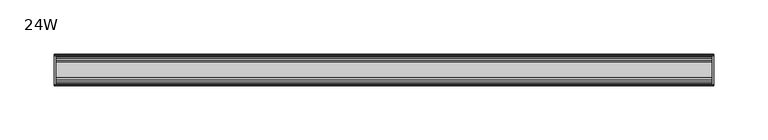
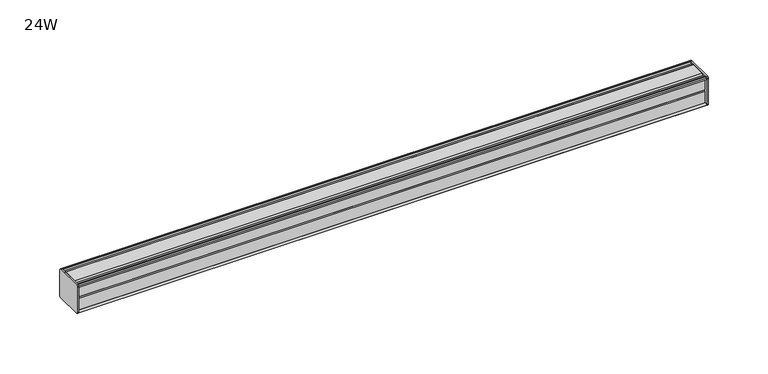
"""IFC4 building model written with IfcOpenShell, lengths in millimetres: furniture geometry, 24W."""

from ifc_helpers import new_model, si_unit, frame, origin, place, context, project, spatial, circle_curve, source, transform, mapped, element, save
from ifc_brep_helpers import plane_surface, cylinder_surface, advanced_brep


def furniture_24w_a49ceabb(model_context):
    return source(origin(), model_context, "Body", "AdvancedBrep", [
        advanced_brep(
        [(303.2125, 14.5851562, 1348.4191662), (303.2125, 14.5851562, 1322.2688277), (303.2125, 14.4138595, 1321.4629397), (303.2125, 13.8374434, 1320.8865237), (303.2125, 12.9019306, 1320.6358531), (303.2125, -13.4067434, 1320.6358531), (303.2125, -14.3040014, 1321.5331111), (303.2125, -14.5851563, 1322.3015198), (303.2125, -14.5851563, 1348.2198727), (303.2125, -14.3040014, 1348.9882814), (303.2125, -13.4464303, 1349.8458525), (303.2125, 13.0500437, 1349.8458525), (303.2125, 13.8374434, 1349.6348688), (303.2125, 14.4138595, 1349.0584528), (304.8, 14.6248431, 1348.2710531), (304.8, 14.4138595, 1349.0584528), (304.8, 13.8374434, 1349.6348688), (304.8, 13.0500437, 1349.8458525), (304.8, -13.4464303, 1349.8458525), (304.8, -14.3040014, 1348.9882814), (304.8, -14.5851563, 1348.2198727), (304.8, -14.5851563, 1322.3015198), (304.8, -14.3040014, 1321.5331111), (304.8, -13.4067434, 1320.6358531), (304.8, 12.9019306, 1320.6358531), (304.8, 13.8374434, 1320.8865237), (304.8, 14.4138595, 1321.4629397), (304.8, 14.5851562, 1322.2688277)],
        [
            (0, 1),
            (1, 2),
            (2, 3),
            (3, 4),
            (4, 5),
            (5, 6),
            (6, 7, circle_curve(frame((303.2125, -13.3945313, 1322.3015198), z_axis=(-1.0, 0.0, 0.0), x_axis=(0.0, 1.0, 0.0)), 1.190625)),
            (7, 8),
            (8, 9, circle_curve(frame((303.2125, -13.3945313, 1348.2198727), z_axis=(-1.0, 0.0, 0.0), x_axis=(0.0, 1.0, 0.0)), 1.190625)),
            (9, 10),
            (10, 11),
            (11, 12),
            (12, 13),
            (13, 0),
            (14, 15),
            (15, 16),
            (16, 17),
            (17, 18),
            (18, 19),
            (19, 20, circle_curve(frame((304.8, -13.3945313, 1348.2198727), z_axis=(1.0, 0.0, 0.0), x_axis=(0.0, 1.0, 0.0)), 1.190625)),
            (20, 21),
            (21, 22, circle_curve(frame((304.8, -13.3945313, 1322.3015198), z_axis=(1.0, 0.0, 0.0), x_axis=(0.0, 1.0, 0.0)), 1.190625)),
            (22, 23),
            (23, 24),
            (24, 25),
            (25, 26),
            (26, 27),
            (27, 14),
            (13, 15),
            (14, 0),
            (12, 16),
            (11, 17),
            (10, 18),
            (9, 19),
            (8, 20),
            (7, 21),
            (6, 22),
            (5, 23),
            (4, 24),
            (3, 25),
            (2, 26),
            (1, 27),
        ],
        [
            plane_surface(frame((303.2125, 14.5851562, 1322.2688277), z_axis=(-1.0, 0.0, 0.0), x_axis=(0.0, 0.0, -1.0))),
            plane_surface(frame((304.8, 14.5851562, 1322.2688277), z_axis=(1.0, 0.0, 0.0), x_axis=(0.0, 0.0, 1.0))),
            plane_surface(frame((303.2125, 14.4138595, 1349.0584528), z_axis=(0.0, 0.9659256560349851, 0.25881968049857335), x_axis=(1.0, 0.0, 0.0))),
            plane_surface(frame((303.2125, 13.8374434, 1349.6348688), z_axis=(0.0, 0.7071067811866345, 0.7071067811864606), x_axis=(1.0, 0.0, 0.0))),
            plane_surface(frame((303.2125, 13.0500437, 1349.8458525), z_axis=(0.0, 0.2588196804711877, 0.9659256560423232), x_axis=(1.0, 0.0, 0.0))),
            plane_surface(frame((303.2125, -13.4464303, 1349.8458525), z_axis=(0.0, 0.0, 1.0), x_axis=(1.0, 0.0, 0.0))),
            plane_surface(frame((303.2125, -14.3040014, 1348.9882814), z_axis=(0.0, -0.70710678117674, 0.7071067811963553), x_axis=(1.0, 0.0, 0.0))),
            cylinder_surface(frame((304.8, -13.3945313, 1348.2198727), z_axis=(-1.0, 0.0, 0.0), x_axis=(0.0, 1.0, 0.0)), 1.190625),
            plane_surface(frame((303.2125, -14.5851563, 1322.3015198), z_axis=(0.0, -1.0, 0.0), x_axis=(1.0, 0.0, 0.0))),
            cylinder_surface(frame((304.8, -13.3945313, 1322.3015198), z_axis=(-1.0, 0.0, 0.0), x_axis=(0.0, 1.0, 0.0)), 1.190625),
            plane_surface(frame((303.2125, -13.4067434, 1320.6358531), z_axis=(0.0, -0.7071067811916562, -0.7071067811814389), x_axis=(1.0, 0.0, 0.0))),
            plane_surface(frame((303.2125, 12.9019306, 1320.6358531), z_axis=(0.0, 0.0, -1.0), x_axis=(1.0, 0.0, 0.0))),
            plane_surface(frame((303.2125, 13.8374434, 1320.8865237), z_axis=(0.0, 0.2588196804985645, -0.9659256560349875), x_axis=(1.0, 0.0, 0.0))),
            plane_surface(frame((303.2125, 14.4138595, 1321.4629397), z_axis=(0.0, 0.7071067811865204, -0.7071067811865748), x_axis=(1.0, 0.0, 0.0))),
            plane_surface(frame((303.2125, 14.5851562, 1322.2688277), z_axis=(0.0, 0.9781476007310527, -0.207911690830711), x_axis=(1.0, 0.0, 0.0))),
            plane_surface(frame((303.2125, 14.5851562, 1348.4191662), z_axis=(0.0, 1.0, 0.0), x_axis=(1.0, 0.0, 0.0))),
        ],
        [
            (0, [[1, 2, 3, 4, 5, 6, 7, 8, 9, 10, 11, 12, 13, 14]]),
            (1, [[15, 16, 17, 18, 19, 20, 21, 22, 23, 24, 25, 26, 27, 28]]),
            (2, [[-14, 29, -15, 30]]),
            (3, [[-13, 31, -16, -29]]),
            (4, [[-12, 32, -17, -31]]),
            (5, [[-11, 33, -18, -32]]),
            (6, [[-10, 34, -19, -33]]),
            (7, [[-9, 35, -20, -34]]),
            (8, [[-8, 36, -21, -35]]),
            (9, [[-7, 37, -22, -36]]),
            (10, [[-6, 38, -23, -37]]),
            (11, [[-5, 39, -24, -38]]),
            (12, [[-4, 40, -25, -39]]),
            (13, [[-3, 41, -26, -40]]),
            (14, [[-2, 42, -27, -41]]),
            (15, [[-1, -30, -28, -42]]),
        ],
    ),
        advanced_brep(
        [(-303.2125, 14.6248431, 1348.2710531), (-303.2125, 14.4138595, 1349.0584528), (-303.2125, 13.8374434, 1349.6348688), (-303.2125, 13.0500437, 1349.8458525), (-303.2125, -13.4464303, 1349.8458525), (-303.2125, -14.3040014, 1348.9882814), (-303.2125, -14.5851563, 1348.2198727), (-303.2125, -14.5851563, 1322.3015198), (-303.2125, -14.3040014, 1321.5331111), (-303.2125, -13.4067434, 1320.6358531), (-303.2125, 12.9019306, 1320.6358531), (-303.2125, 13.8374434, 1320.8865237), (-303.2125, 14.4138595, 1321.4629397), (-303.2125, 14.5851562, 1322.2688277), (-304.8, 14.5851562, 1348.4191662), (-304.8, 14.5851562, 1322.2688277), (-304.8, 14.4138595, 1321.4629397), (-304.8, 13.8374434, 1320.8865237), (-304.8, 12.9019306, 1320.6358531), (-304.8, -13.4067434, 1320.6358531), (-304.8, -14.3040014, 1321.5331111), (-304.8, -14.5851563, 1322.3015198), (-304.8, -14.5851563, 1348.2198727), (-304.8, -14.3040014, 1348.9882814), (-304.8, -13.4464303, 1349.8458525), (-304.8, 13.0500437, 1349.8458525), (-304.8, 13.8374434, 1349.6348688), (-304.8, 14.4138595, 1349.0584528)],
        [
            (0, 1),
            (1, 2),
            (2, 3),
            (3, 4),
            (4, 5),
            (5, 6, circle_curve(frame((-303.2125, -13.3945313, 1348.2198727), z_axis=(1.0, 0.0, 0.0), x_axis=(0.0, 1.0, 0.0)), 1.190625)),
            (6, 7),
            (7, 8, circle_curve(frame((-303.2125, -13.3945313, 1322.3015198), z_axis=(1.0, 0.0, 0.0), x_axis=(0.0, 1.0, 0.0)), 1.190625)),
            (8, 9),
            (9, 10),
            (10, 11),
            (11, 12),
            (12, 13),
            (13, 0),
            (14, 15),
            (15, 16),
            (16, 17),
            (17, 18),
            (18, 19),
            (19, 20),
            (20, 21, circle_curve(frame((-304.8, -13.3945313, 1322.3015198), z_axis=(-1.0, 0.0, 0.0), x_axis=(0.0, 1.0, 0.0)), 1.190625)),
            (21, 22),
            (22, 23, circle_curve(frame((-304.8, -13.3945313, 1348.2198727), z_axis=(-1.0, 0.0, 0.0), x_axis=(0.0, 1.0, 0.0)), 1.190625)),
            (23, 24),
            (24, 25),
            (25, 26),
            (26, 27),
            (27, 14),
            (0, 14),
            (27, 1),
            (26, 2),
            (25, 3),
            (24, 4),
            (23, 5),
            (22, 6),
            (21, 7),
            (20, 8),
            (19, 9),
            (18, 10),
            (17, 11),
            (16, 12),
            (15, 13),
        ],
        [
            plane_surface(frame((-303.2125, 14.6248431, 1348.2710531), z_axis=(1.0, 0.0, 0.0), x_axis=(0.0, -0.2588196804390474, 0.965925656050935))),
            plane_surface(frame((-304.8, 14.6248431, 1348.2710531), z_axis=(-1.0, 0.0, 0.0), x_axis=(0.0, 0.2588196804390474, -0.965925656050935))),
            plane_surface(frame((-303.2125, 14.6248431, 1348.2710531), z_axis=(0.0, 0.965925656050935, 0.2588196804390474), x_axis=(-1.0, 0.0, 0.0))),
            plane_surface(frame((-303.2125, 14.4138595, 1349.0584528), z_axis=(0.0, 0.7071067810676273, 0.7071067813054679), x_axis=(-1.0, 0.0, 0.0))),
            plane_surface(frame((-303.2125, 13.8374434, 1349.6348688), z_axis=(0.0, 0.25881968048355775, 0.9659256560390086), x_axis=(-1.0, 0.0, 0.0))),
            plane_surface(frame((-303.2125, 13.0500437, 1349.8458525), z_axis=(0.0, 0.0, 1.0), x_axis=(-1.0, 0.0, 0.0))),
            plane_surface(frame((-303.2125, -13.4464303, 1349.8458525), z_axis=(0.0, -0.7071067811880228, 0.7071067811850722), x_axis=(-1.0, 0.0, 0.0))),
            cylinder_surface(frame((-304.8, -13.3945313, 1348.2198727), z_axis=(1.0, 0.0, 0.0), x_axis=(0.0, 1.0, 0.0)), 1.190625),
            plane_surface(frame((-303.2125, -14.5851563, 1348.2198727), z_axis=(0.0, -1.0, 0.0), x_axis=(-1.0, 0.0, 0.0))),
            cylinder_surface(frame((-304.8, -13.3945313, 1322.3015198), z_axis=(1.0, 0.0, 0.0), x_axis=(0.0, 1.0, 0.0)), 1.190625),
            plane_surface(frame((-303.2125, -14.3040014, 1321.5331111), z_axis=(0.0, -0.7071067811865341, -0.7071067811865609), x_axis=(-1.0, 0.0, 0.0))),
            plane_surface(frame((-303.2125, -13.4067434, 1320.6358531), z_axis=(0.0, 0.0, -1.0), x_axis=(-1.0, 0.0, 0.0))),
            plane_surface(frame((-303.2125, 12.9019306, 1320.6358531), z_axis=(0.0, 0.25881968049856513, -0.9659256560349874), x_axis=(-1.0, 0.0, 0.0))),
            plane_surface(frame((-303.2125, 13.8374434, 1320.8865237), z_axis=(0.0, 0.707106781186519, -0.7071067811865761), x_axis=(-1.0, 0.0, 0.0))),
            plane_surface(frame((-303.2125, 14.4138595, 1321.4629397), z_axis=(0.0, 0.9781476007314348, -0.20791169082891317), x_axis=(-1.0, 0.0, 0.0))),
            plane_surface(frame((-303.2125, 14.5851562, 1322.2688277), z_axis=(0.0, 1.0, 0.0), x_axis=(-1.0, 0.0, 0.0))),
        ],
        [
            (0, [[1, 2, 3, 4, 5, 6, 7, 8, 9, 10, 11, 12, 13, 14]]),
            (1, [[15, 16, 17, 18, 19, 20, 21, 22, 23, 24, 25, 26, 27, 28]]),
            (2, [[-1, 29, -28, 30]]),
            (3, [[-2, -30, -27, 31]]),
            (4, [[-3, -31, -26, 32]]),
            (5, [[-4, -32, -25, 33]]),
            (6, [[-5, -33, -24, 34]]),
            (7, [[-6, -34, -23, 35]]),
            (8, [[-7, -35, -22, 36]]),
            (9, [[-8, -36, -21, 37]]),
            (10, [[-9, -37, -20, 38]]),
            (11, [[-10, -38, -19, 39]]),
            (12, [[-11, -39, -18, 40]]),
            (13, [[-12, -40, -17, 41]]),
            (14, [[-13, -41, -16, 42]]),
            (15, [[-14, -42, -15, -29]]),
        ],
    ),
        advanced_brep(
        [(303.2125, -7.3748315, 1349.8458525), (303.2125, -8.9105708, 1348.8151196), (303.2125, -10.7601399, 1348.8151196), (303.2125, -12.2958792, 1349.8458525), (303.2125, -13.4464303, 1349.8458525), (303.2125, -14.3040014, 1348.9882814), (303.2125, -13.3945313, 1347.0292477), (303.2125, -13.3945313, 1347.940852), (303.2125, -12.2039063, 1347.940852), (303.2125, -12.2039063, 1336.0346032), (303.2125, -11.4101564, 1335.2408534), (303.2125, -12.2039063, 1334.4471036), (303.2125, -12.2039063, 1322.5408531), (303.2125, -13.3945313, 1322.5408531), (303.2125, -13.3945313, 1323.4921448), (303.2125, -14.3040014, 1321.5331111), (303.2125, -13.4067434, 1320.6358531), (303.2125, -12.2958792, 1320.6358531), (303.2125, -10.7601399, 1321.6665871), (303.2125, -8.9105708, 1321.6665871), (303.2125, -7.4339628, 1320.67554), (303.2125, 7.4145184, 1320.67554), (303.2125, 8.9502576, 1321.7062729), (303.2125, 10.7998291, 1321.7062729), (303.2125, 12.2275037, 1320.67554), (303.2125, 13.0500437, 1320.67554), (303.2125, 13.8374434, 1320.8865237), (303.2125, 14.4138595, 1321.4629397), (303.2125, 14.5851562, 1322.2688277), (303.2125, 14.5851562, 1348.4191662), (303.2125, 14.4138595, 1349.0584528), (303.2125, 13.8374434, 1349.6348688), (303.2125, 13.0500437, 1349.8458525), (303.2125, 12.2275037, 1349.8458525), (303.2125, 10.7998291, 1348.8151196), (303.2125, 8.9502576, 1348.8151196), (303.2125, 7.4145184, 1349.8458525), (-303.2125, -7.3748315, 1349.8458525), (-303.2125, 7.4145184, 1349.8458525), (-303.2125, 8.9502576, 1348.8151196), (-303.2125, 10.7998291, 1348.8151196), (-303.2125, 12.2275037, 1349.8458525), (-303.2125, 13.0500437, 1349.8458525), (-303.2125, 13.8374434, 1349.6348688), (-303.2125, 14.4138595, 1349.0584528), (-303.2125, 14.6248431, 1348.2710531), (-303.2125, 14.5851562, 1322.2688277), (-303.2125, 14.4138595, 1321.4629397), (-303.2125, 13.8374434, 1320.8865237), (-303.2125, 13.0500437, 1320.67554), (-303.2125, 12.2275037, 1320.67554), (-303.2125, 10.7998291, 1321.7062729), (-303.2125, 8.9502576, 1321.7062729), (-303.2125, 7.4145184, 1320.67554), (-303.2125, -7.4339628, 1320.67554), (-303.2125, -8.9105708, 1321.6665871), (-303.2125, -10.7601399, 1321.6665871), (-303.2125, -12.2958792, 1320.6358531), (-303.2125, -13.4067434, 1320.6358531), (-303.2125, -14.3040014, 1321.5331111), (-303.2125, -13.3945313, 1323.4921448), (-303.2125, -13.3945313, 1322.5408531), (-303.2125, -12.2039063, 1322.5408531), (-303.2125, -12.2039063, 1334.4471036), (-303.2125, -11.4101564, 1335.2408534), (-303.2125, -12.2039063, 1336.0346032), (-303.2125, -12.2039063, 1347.940852), (-303.2125, -13.3945313, 1347.940852), (-303.2125, -13.3945313, 1347.0292477), (-303.2125, -14.3040014, 1348.9882814), (-303.2125, -13.4464303, 1349.8458525), (-303.2125, -12.2958792, 1349.8458525), (-303.2125, -10.7601399, 1348.8151196), (-303.2125, -8.9105708, 1348.8151196)],
        [
            (0, 1),
            (1, 2),
            (2, 3),
            (3, 4),
            (4, 5),
            (5, 6, circle_curve(frame((303.2125, -13.3945313, 1348.2198727), z_axis=(1.0, 0.0, 0.0), x_axis=(0.0, 1.0, 0.0)), 1.190625)),
            (6, 7),
            (7, 8),
            (8, 9),
            (9, 10),
            (10, 11),
            (11, 12),
            (12, 13),
            (13, 14),
            (14, 15, circle_curve(frame((303.2125, -13.3945313, 1322.3015198), z_axis=(1.0, 0.0, 0.0), x_axis=(0.0, 1.0, 0.0)), 1.190625)),
            (15, 16),
            (16, 17),
            (17, 18),
            (18, 19),
            (19, 20),
            (20, 21),
            (21, 22),
            (22, 23),
            (23, 24),
            (24, 25),
            (25, 26),
            (26, 27),
            (27, 28),
            (28, 29),
            (29, 30),
            (30, 31),
            (31, 32),
            (32, 33),
            (33, 34),
            (34, 35),
            (35, 36),
            (36, 0),
            (37, 38),
            (38, 39),
            (39, 40),
            (40, 41),
            (41, 42),
            (42, 43),
            (43, 44),
            (44, 45),
            (45, 46),
            (46, 47),
            (47, 48),
            (48, 49),
            (49, 50),
            (50, 51),
            (51, 52),
            (52, 53),
            (53, 54),
            (54, 55),
            (55, 56),
            (56, 57),
            (57, 58),
            (58, 59),
            (59, 60, circle_curve(frame((-303.2125, -13.3945313, 1322.3015198), z_axis=(-1.0, 0.0, 0.0), x_axis=(0.0, 1.0, 0.0)), 1.190625)),
            (60, 61),
            (61, 62),
            (62, 63),
            (63, 64),
            (64, 65),
            (65, 66),
            (66, 67),
            (67, 68),
            (68, 69, circle_curve(frame((-303.2125, -13.3945313, 1348.2198727), z_axis=(-1.0, 0.0, 0.0), x_axis=(0.0, 1.0, 0.0)), 1.190625)),
            (69, 70),
            (70, 71),
            (71, 72),
            (72, 73),
            (73, 37),
            (0, 37),
            (73, 1),
            (72, 2),
            (71, 3),
            (70, 4),
            (69, 5),
            (68, 6),
            (67, 7),
            (66, 8),
            (65, 9),
            (64, 10),
            (63, 11),
            (62, 12),
            (61, 13),
            (60, 14),
            (59, 15),
            (58, 16),
            (57, 17),
            (56, 18),
            (55, 19),
            (54, 20),
            (53, 21),
            (52, 22),
            (51, 23),
            (50, 24),
            (49, 25),
            (48, 26),
            (47, 27),
            (46, 28),
            (45, 29),
            (44, 30),
            (43, 31),
            (42, 32),
            (41, 33),
            (40, 34),
            (39, 35),
            (38, 36),
        ],
        [
            plane_surface(frame((303.2125, -7.3748315, 1349.8458525), z_axis=(1.0, 0.0, 0.0), x_axis=(0.0, -0.8303227972604666, -0.5572827400427488))),
            plane_surface(frame((-303.2125, -7.3748315, 1349.8458525), z_axis=(-1.0, 0.0, 0.0), x_axis=(0.0, 0.8303227972604666, 0.5572827400427488))),
            plane_surface(frame((303.2125, -7.3748315, 1349.8458525), z_axis=(0.0, -0.5572827400427488, 0.8303227972604666), x_axis=(-1.0, 0.0, 0.0))),
            plane_surface(frame((303.2125, -8.9105708, 1348.8151196), z_axis=(0.0, 0.0, 1.0), x_axis=(-1.0, 0.0, 0.0))),
            plane_surface(frame((303.2125, -10.7601399, 1348.8151196), z_axis=(0.0, 0.5572827400427491, 0.8303227972604665), x_axis=(-1.0, 0.0, 0.0))),
            plane_surface(frame((303.2125, -12.2958792, 1349.8458525), z_axis=(0.0, 0.0, 1.0), x_axis=(-1.0, 0.0, 0.0))),
            plane_surface(frame((303.2125, -13.4464303, 1349.8458525), z_axis=(0.0, -0.7071067811810978, 0.7071067811919972), x_axis=(-1.0, 0.0, 0.0))),
            cylinder_surface(frame((-303.2125, -13.3945313, 1348.2198727), z_axis=(1.0, 0.0, 0.0), x_axis=(0.0, 1.0, 0.0)), 1.190625),
            plane_surface(frame((303.2125, -13.3945313, 1347.0292477), z_axis=(0.0, 1.0, 0.0), x_axis=(-1.0, 0.0, 0.0))),
            plane_surface(frame((303.2125, -13.3945313, 1347.940852), z_axis=(0.0, 0.0, -1.0), x_axis=(-1.0, 0.0, 0.0))),
            plane_surface(frame((303.2125, -12.2039063, 1347.940852), z_axis=(0.0, -1.0, 0.0), x_axis=(-1.0, 0.0, 0.0))),
            plane_surface(frame((303.2125, -12.2039063, 1336.0346032), z_axis=(0.0, -0.7071067811865146, -0.7071067811865805), x_axis=(-1.0, 0.0, 0.0))),
            plane_surface(frame((303.2125, -11.4101564, 1335.2408534), z_axis=(0.0, -0.7071067811865522, 0.7071067811865428), x_axis=(-1.0, 0.0, 0.0))),
            plane_surface(frame((303.2125, -12.2039063, 1334.4471036), z_axis=(0.0, -1.0, 0.0), x_axis=(-1.0, 0.0, 0.0))),
            plane_surface(frame((303.2125, -12.2039063, 1322.5408531), z_axis=(0.0, 0.0, 1.0), x_axis=(-1.0, 0.0, 0.0))),
            plane_surface(frame((303.2125, -13.3945313, 1322.5408531), z_axis=(0.0, 1.0, 0.0), x_axis=(-1.0, 0.0, 0.0))),
            cylinder_surface(frame((-303.2125, -13.3945313, 1322.3015198), z_axis=(1.0, 0.0, 0.0), x_axis=(0.0, 1.0, 0.0)), 1.190625),
            plane_surface(frame((303.2125, -14.3040014, 1321.5331111), z_axis=(0.0, -0.7071067811865884, -0.7071067811865067), x_axis=(-1.0, 0.0, 0.0))),
            plane_surface(frame((303.2125, -13.4067434, 1320.6358531), z_axis=(0.0, 0.0, -1.0), x_axis=(-1.0, 0.0, 0.0))),
            plane_surface(frame((303.2125, -12.2958792, 1320.6358531), z_axis=(0.0, 0.5572831632988446, -0.8303225131860712), x_axis=(-1.0, 0.0, 0.0))),
            plane_surface(frame((303.2125, -10.7601399, 1321.6665871), z_axis=(0.0, 0.0, -1.0), x_axis=(-1.0, 0.0, 0.0))),
            plane_surface(frame((303.2125, -8.9105708, 1321.6665871), z_axis=(0.0, -0.5572831633038827, -0.8303225131826898), x_axis=(-1.0, 0.0, 0.0))),
            plane_surface(frame((303.2125, -7.4339628, 1320.67554), z_axis=(0.0, 0.0, -1.0), x_axis=(-1.0, 0.0, 0.0))),
            plane_surface(frame((303.2125, 7.4145184, 1320.67554), z_axis=(0.0, 0.5572827400524372, -0.8303227972539643), x_axis=(-1.0, 0.0, 0.0))),
            plane_surface(frame((303.2125, 8.9502576, 1321.7062729), z_axis=(0.0, 0.0, -1.0), x_axis=(-1.0, 0.0, 0.0))),
            plane_surface(frame((303.2125, 10.7998291, 1321.7062729), z_axis=(0.0, -0.5853541342124147, -0.8107777362264177), x_axis=(-1.0, 0.0, 0.0))),
            plane_surface(frame((303.2125, 12.2275037, 1320.67554), z_axis=(0.0, 0.0, -1.0), x_axis=(-1.0, 0.0, 0.0))),
            plane_surface(frame((303.2125, 13.0500437, 1320.67554), z_axis=(0.0, 0.2588196804985639, -0.9659256560349877), x_axis=(-1.0, 0.0, 0.0))),
            plane_surface(frame((303.2125, 13.8374434, 1320.8865237), z_axis=(0.0, 0.7071067811865592, -0.7071067811865358), x_axis=(-1.0, 0.0, 0.0))),
            plane_surface(frame((303.2125, 14.4138595, 1321.4629397), z_axis=(0.0, 0.9781476007314349, -0.20791169082891267), x_axis=(-1.0, 0.0, 0.0))),
            plane_surface(frame((303.2125, 14.5851562, 1322.2688277), z_axis=(0.0, 1.0, 0.0), x_axis=(-1.0, 0.0, 0.0))),
            plane_surface(frame((303.2125, 14.6248431, 1348.2710531), z_axis=(0.0, 0.9659256560510463, 0.25881968043863257), x_axis=(-1.0, 0.0, 0.0))),
            plane_surface(frame((303.2125, 14.4138595, 1349.0584528), z_axis=(0.0, 0.707106781066662, 0.707106781306433), x_axis=(-1.0, 0.0, 0.0))),
            plane_surface(frame((303.2125, 13.8374434, 1349.6348688), z_axis=(0.0, 0.25881968048369114, 0.9659256560389728), x_axis=(-1.0, 0.0, 0.0))),
            plane_surface(frame((303.2125, 13.0500437, 1349.8458525), z_axis=(0.0, 0.0, 1.0), x_axis=(-1.0, 0.0, 0.0))),
            plane_surface(frame((303.2125, 12.2275037, 1349.8458525), z_axis=(0.0, -0.5853541342075637, 0.8107777362299199), x_axis=(-1.0, 0.0, 0.0))),
            plane_surface(frame((303.2125, 10.7998291, 1348.8151196), z_axis=(0.0, 0.0, 1.0), x_axis=(-1.0, 0.0, 0.0))),
            plane_surface(frame((303.2125, 8.9502576, 1348.8151196), z_axis=(0.0, 0.5572827400427491, 0.8303227972604665), x_axis=(-1.0, 0.0, 0.0))),
            plane_surface(frame((303.2125, 7.4145184, 1349.8458525), z_axis=(0.0, 0.0, 1.0), x_axis=(-1.0, 0.0, 0.0))),
        ],
        [
            (0, [[1, 2, 3, 4, 5, 6, 7, 8, 9, 10, 11, 12, 13, 14, 15, 16, 17, 18, 19, 20, 21, 22, 23, 24, 25, 26, 27, 28, 29, 30, 31, 32, 33, 34, 35, 36, 37]]),
            (1, [[38, 39, 40, 41, 42, 43, 44, 45, 46, 47, 48, 49, 50, 51, 52, 53, 54, 55, 56, 57, 58, 59, 60, 61, 62, 63, 64, 65, 66, 67, 68, 69, 70, 71, 72, 73, 74]]),
            (2, [[-1, 75, -74, 76]]),
            (3, [[-2, -76, -73, 77]]),
            (4, [[-3, -77, -72, 78]]),
            (5, [[-4, -78, -71, 79]]),
            (6, [[-5, -79, -70, 80]]),
            (7, [[-6, -80, -69, 81]]),
            (8, [[-7, -81, -68, 82]]),
            (9, [[-8, -82, -67, 83]]),
            (10, [[-9, -83, -66, 84]]),
            (11, [[-10, -84, -65, 85]]),
            (12, [[-11, -85, -64, 86]]),
            (13, [[-12, -86, -63, 87]]),
            (14, [[-13, -87, -62, 88]]),
            (15, [[-14, -88, -61, 89]]),
            (16, [[-15, -89, -60, 90]]),
            (17, [[-16, -90, -59, 91]]),
            (18, [[-17, -91, -58, 92]]),
            (19, [[-18, -92, -57, 93]]),
            (20, [[-19, -93, -56, 94]]),
            (21, [[-20, -94, -55, 95]]),
            (22, [[-21, -95, -54, 96]]),
            (23, [[-22, -96, -53, 97]]),
            (24, [[-23, -97, -52, 98]]),
            (25, [[-24, -98, -51, 99]]),
            (26, [[-25, -99, -50, 100]]),
            (27, [[-26, -100, -49, 101]]),
            (28, [[-27, -101, -48, 102]]),
            (29, [[-28, -102, -47, 103]]),
            (30, [[-29, -103, -46, 104]]),
            (31, [[-30, -104, -45, 105]]),
            (32, [[-31, -105, -44, 106]]),
            (33, [[-32, -106, -43, 107]]),
            (34, [[-33, -107, -42, 108]]),
            (35, [[-34, -108, -41, 109]]),
            (36, [[-35, -109, -40, 110]]),
            (37, [[-36, -110, -39, 111]]),
            (38, [[-37, -111, -38, -75]]),
        ],
    ),
    ])


if __name__ == "__main__":
    model = new_model("IFC4")
    model_context = context("Model", 3, world=origin())
    ifc_project = project(units=[si_unit("LENGTHUNIT", "METRE", prefix="MILLI")], contexts=[model_context])
    site = spatial("IfcSite", under=ifc_project)
    building = spatial("IfcBuilding", under=site)
    placement = place(None, origin())
    furniture_24w_shape = furniture_24w_a49ceabb(model_context)
    element("IfcFurniture", 1, ObjectType="24W", at=placement, inside=building, context=model_context, shape_type="MappedRepresentation", body=[
        mapped(furniture_24w_shape, transform((0.0, 0.0, 0.0), x_axis=(1.0, 0.0, 0.0), y_axis=(0.0, 1.0, 0.0), z_axis=(0.0, 0.0, 1.0))),
    ])
    save(model, "model.ifc")
